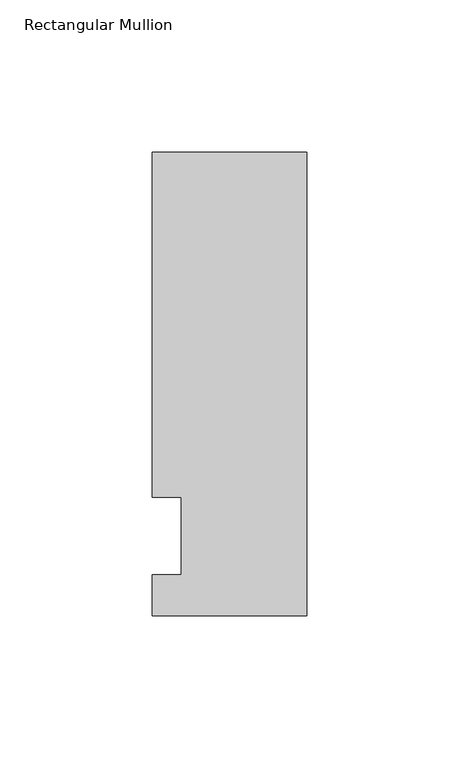
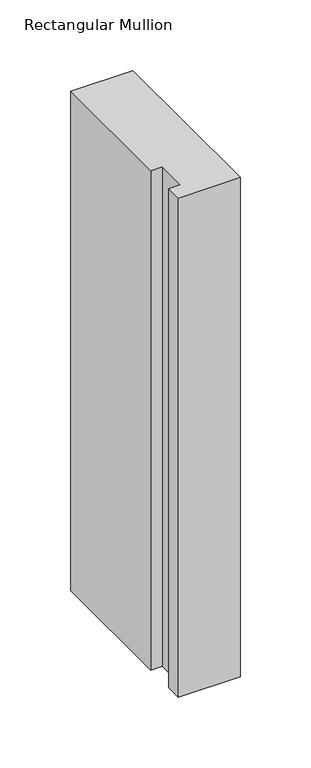
"""IFC4 building model written with IfcOpenShell, lengths in millimetres: member geometry, Rectangular Mullion."""

import ifcopenshell
import ifcopenshell.guid

model = None  # the IFC model being written
_history = None  # IfcOwnerHistory: only IFC2X3 demands one
_inside = {}  # id of a spatial element -> (the spatial element, [elements in it])
_under = {}  # id of a project, library or spatial element -> (it, [spatial elements below it])
_declared = {}  # id of a project -> (the project, [libraries it declares])
_typed = {}  # id of a type object -> (the type object, [elements of that type])
_made_of = {}  # id of a material, layer set ... -> (it, [elements and type objects made of it])


def new_model(schema):
    """Start an empty IFC model of exactly this schema.

    Asked for "IFC4X3", IfcOpenShell would pick the latest addendum, in which some entities
    have other attributes; the version numbers below select the first issue.
    IFC2X3 requires an IfcOwnerHistory on every rooted entity: one is made here for all.
    """
    global model, _history
    if schema == "IFC4X3":
        model = ifcopenshell.file(schema_version=(4, 3, 0, 0))
    else:
        model = ifcopenshell.file(schema=schema)
    _inside.clear()
    _under.clear()
    _declared.clear()
    _typed.clear()
    _made_of.clear()
    _history = None
    if model.schema == "IFC2X3":
        org = make("IfcOrganization", Name="unknown")
        user = make(
            "IfcPersonAndOrganization",
            ThePerson=make("IfcPerson", FamilyName="unknown"),
            TheOrganization=org,
        )
        app = make(
            "IfcApplication",
            ApplicationDeveloper=org,
            Version="unknown",
            ApplicationFullName="unknown",
            ApplicationIdentifier="unknown",
        )
        _history = make(
            "IfcOwnerHistory",
            OwningUser=user,
            OwningApplication=app,
            ChangeAction="ADDED",
            CreationDate=0,
        )
    return model


def make(cls, **values):
    """One entity of the class cls with the attributes given. An attribute that is None is left unset."""
    return model.create_entity(
        cls, **{name: value for name, value in values.items() if value is not None}
    )


def rooted(cls, **values):
    """An entity with a GlobalId (a new one), such as an element, a storey or a relation."""
    return make(cls, GlobalId=ifcopenshell.guid.new(), OwnerHistory=_history, **values)


def si_unit(unit_type, name, prefix=None):
    """IfcSIUnit, for example si_unit("LENGTHUNIT", "METRE", prefix="MILLI")."""
    return make("IfcSIUnit", UnitType=unit_type, Prefix=prefix, Name=name)


def assignment(units):
    """IfcUnitAssignment: the units of a project."""
    return None if units is None else make("IfcUnitAssignment", Units=units)


def point(xyz):
    """IfcCartesianPoint."""
    return None if xyz is None else make("IfcCartesianPoint", Coordinates=xyz)


def direction(xyz):
    """IfcDirection."""
    return None if xyz is None else make("IfcDirection", DirectionRatios=xyz)


def frame(location, z_axis=None, x_axis=None):
    """IfcAxis2Placement3D, a coordinate frame: its origin and axes. An axis left out is left unset."""
    return make(
        "IfcAxis2Placement3D",
        Location=point(location),
        Axis=direction(z_axis),
        RefDirection=direction(x_axis),
    )


def origin():
    """The frame at (0, 0, 0) with its axes left unset."""
    return frame((0.0, 0.0, 0.0))


def place(relative_to, where):
    """IfcLocalPlacement: puts the frame where relative to a parent placement (None: the world)."""
    return make(
        "IfcLocalPlacement", PlacementRelTo=relative_to, RelativePlacement=where
    )


def context(
    kind, dimensions, precision=None, world=None, true_north=None, identifier=None
):
    """IfcGeometricRepresentationContext, for example the 3D "Model" context."""
    return make(
        "IfcGeometricRepresentationContext",
        ContextIdentifier=identifier,
        ContextType=kind,
        CoordinateSpaceDimension=dimensions,
        Precision=precision,
        WorldCoordinateSystem=world,
        TrueNorth=true_north,
    )


def project(units=None, contexts=None):
    """IfcProject with its units and contexts."""
    return rooted(
        "IfcProject",
        Name="project",
        RepresentationContexts=contexts,
        UnitsInContext=assignment(units),
    )


def spatial(cls, under=None, at=None, **own):
    """A site, building, storey or space (cls), placed at a placement, below another one or the project."""
    s = rooted(cls, ObjectPlacement=at, **own)
    if under is not None:
        _under.setdefault(under.id(), (under, []))[1].append(s)
    return s


def polyline(points):
    """IfcPolyline through the points."""
    return make("IfcPolyline", Points=[point(p) for p in points])


def outline(outer, holes=None, kind="AREA"):
    """IfcArbitraryClosedProfileDef: a profile drawn as a closed curve; with holes, ...WithVoids."""
    if holes is None:
        return make("IfcArbitraryClosedProfileDef", ProfileType=kind, OuterCurve=outer)
    return make(
        "IfcArbitraryProfileDefWithVoids",
        ProfileType=kind,
        OuterCurve=outer,
        InnerCurves=holes,
    )


def extrude(swept, where, along, depth):
    """IfcExtrudedAreaSolid: the profile swept, set in the frame where, extruded along a direction by depth."""
    return make(
        "IfcExtrudedAreaSolid",
        SweptArea=swept,
        Position=where,
        ExtrudedDirection=direction(along),
        Depth=depth,
    )


def shape(context_of_items, identifier, shape_type, items):
    """IfcShapeRepresentation: the items that make up one representation, for example the "Body"."""
    return make(
        "IfcShapeRepresentation",
        ContextOfItems=context_of_items,
        RepresentationIdentifier=identifier,
        RepresentationType=shape_type,
        Items=items,
    )


def source(mapping_origin, context_of_items, identifier, shape_type, items):
    """IfcRepresentationMap: a shape defined once, which mapped items show again and again."""
    return make(
        "IfcRepresentationMap",
        MappingOrigin=mapping_origin,
        MappedRepresentation=shape(context_of_items, identifier, shape_type, items),
    )


def transform(
    local_origin,
    x_axis=None,
    y_axis=None,
    z_axis=None,
    scale=None,
    scale2=None,
    scale3=None,
    uniform=True,
):
    """IfcCartesianTransformationOperator3D, or its non-uniform kind. x_axis, y_axis, z_axis: its Axis1, 2, 3."""
    if uniform:
        return make(
            "IfcCartesianTransformationOperator3D",
            Axis1=direction(x_axis),
            Axis2=direction(y_axis),
            LocalOrigin=point(local_origin),
            Scale=scale,
            Axis3=direction(z_axis),
        )
    return make(
        "IfcCartesianTransformationOperator3DnonUniform",
        Axis1=direction(x_axis),
        Axis2=direction(y_axis),
        LocalOrigin=point(local_origin),
        Scale=scale,
        Axis3=direction(z_axis),
        Scale2=scale2,
        Scale3=scale3,
    )


def mapped(mapping_source, mapping_target):
    """IfcMappedItem: shows the shape of a source again, moved by a transform."""
    return make(
        "IfcMappedItem", MappingSource=mapping_source, MappingTarget=mapping_target
    )


def made_of(thing, what):
    """Note that an element or type object is made of a material, layer set ...; save() writes the relation."""
    if what is not None:
        _made_of.setdefault(what.id(), (what, []))[1].append(thing)
    return thing


def element(
    cls,
    number,
    at=None,
    inside=None,
    cuts=None,
    type_object=None,
    material=None,
    context=None,
    identifier="Body",
    shape_type=None,
    held_by="IfcProductDefinitionShape",
    body=None,
    shapes=None,
    **own,
):
    """One element of the class cls, such as IfcWall. Its Tag is "e" and its number.

    at: its placement. inside: the storey or other place that contains it. cuts: it is an
    opening in that element (IfcRelVoidsElement). A single representation is given by context,
    identifier, shape_type and body (its items); several are given by shapes. held_by: the class
    of the entity that holds the representations. save() writes the other relations.
    """
    e = rooted(cls, Tag="e%d" % number, ObjectPlacement=at, **own)
    if body is not None:
        shapes = [shape(context, identifier, shape_type, body)]
    if shapes is not None:
        e.Representation = make(held_by, Representations=shapes)
    if inside is not None:
        _inside.setdefault(inside.id(), (inside, []))[1].append(e)
    if cuts is not None:
        rooted(
            "IfcRelVoidsElement", RelatingBuildingElement=cuts, RelatedOpeningElement=e
        )
    if type_object is not None:
        _typed.setdefault(type_object.id(), (type_object, []))[1].append(e)
    return made_of(e, material)


def aggregate(whole, parts):
    """IfcRelAggregates: a whole, such as a stair, and the parts it consists of."""
    return rooted("IfcRelAggregates", RelatingObject=whole, RelatedObjects=parts)


def save(model, path):
    """Write the relations noted so far, then the file.

    IfcRelAggregates (storeys below a building ...), IfcRelContainedInSpatialStructure (elements
    in a storey), IfcRelDefinesByType, IfcRelAssociatesMaterial and IfcRelDeclares: one each for
    every whole, place, type object, material and project.
    """
    for whole, parts in _under.values():
        aggregate(whole, parts)
    for where, things in _inside.values():
        rooted(
            "IfcRelContainedInSpatialStructure",
            RelatedElements=things,
            RelatingStructure=where,
        )
    for kind, things in _typed.values():
        rooted("IfcRelDefinesByType", RelatedObjects=things, RelatingType=kind)
    for what, things in _made_of.values():
        rooted("IfcRelAssociatesMaterial", RelatedObjects=things, RelatingMaterial=what)
    for by, libraries in _declared.values():
        rooted("IfcRelDeclares", RelatingContext=by, RelatedDefinitions=libraries)
    model.write(path)


def rectangular_mullion_e471e266(model_context):
    return source(origin(), model_context, "Body", "SweptSolid", [
        extrude(outline(polyline([(-50.8, -26.19375), (-50.8, -12.7), (-41.275, -12.7), (-41.275, 12.7), (-50.8, 12.7), (-50.8, 126.20625), (0.0, 126.20625), (0.0, -26.19375), (-50.8, -26.19375)])), frame((0.0, 0.0, -431.8), z_axis=(0.0, 0.0, 1.0), x_axis=(1.0, 0.0, 0.0)), (0.0, 0.0, 1.0), 431.8),
    ])


if __name__ == "__main__":
    model = new_model("IFC4")
    model_context = context("Model", 3, world=origin())
    ifc_project = project(units=[si_unit("LENGTHUNIT", "METRE", prefix="MILLI")], contexts=[model_context])
    site = spatial("IfcSite", under=ifc_project)
    building = spatial("IfcBuilding", under=site)
    placement = place(None, origin())
    rectangular_mullion_shape = rectangular_mullion_e471e266(model_context)
    element("IfcMember", 1, ObjectType="Rectangular Mullion", at=placement, inside=building, context=model_context, shape_type="MappedRepresentation", body=[
        mapped(rectangular_mullion_shape, transform((0.0, 0.0, 0.0), x_axis=(1.0, 0.0, 0.0), y_axis=(0.0, 1.0, 0.0), z_axis=(0.0, 0.0, 1.0))),
    ])
    save(model, "model.ifc")
